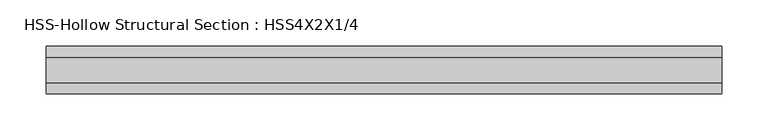
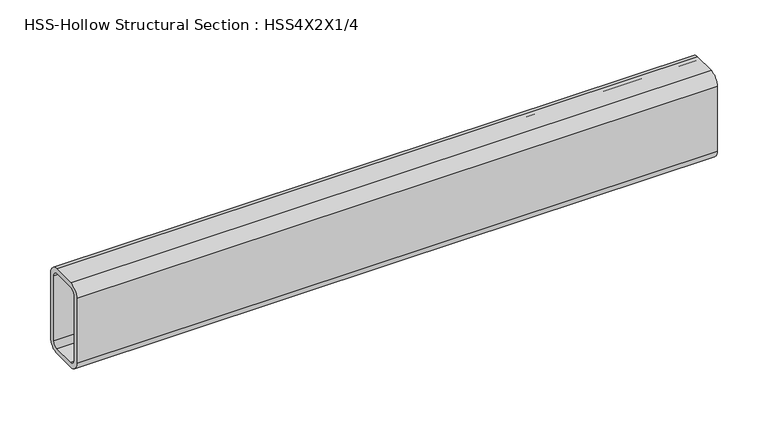
"""IFC4 building model written with IfcOpenShell, lengths in millimetres: beam geometry, HSS-Hollow Structural Section : HSS4X2X1/4."""

from ifc_helpers import new_model, si_unit, point, frame, frame_2d, origin, place, context, project, spatial, polyline, circle_curve, trimmed, segment, composite_curve, outline, extrude, source, transform, mapped, element, save


def hss_hollow_structural_section_hss4x2x1_4_c8d861f6(model_context):
    return source(origin(), model_context, "Body", "SweptSolid", [
        extrude(outline(composite_curve([segment(polyline([(25.4, 38.9636), (25.4, -38.9636)]), True, "CONTINUOUS"), segment(trimmed(circle_curve(frame_2d((13.5636, -38.9636)), 11.8364), [point((25.4, -38.9636))], [point((13.5636, -50.8))], False, "CARTESIAN"), True, "CONTINUOUS"), segment(polyline([(13.5636, -50.8), (-13.5636, -50.8)]), True, "CONTINUOUS"), segment(trimmed(circle_curve(frame_2d((-13.5636, -38.9636)), 11.8364), [point((-13.5636, -50.8))], [point((-25.4, -38.9636))], False, "CARTESIAN"), True, "CONTINUOUS"), segment(polyline([(-25.4, -38.9636), (-25.4, 38.9636)]), True, "CONTINUOUS"), segment(trimmed(circle_curve(frame_2d((-13.5636, 38.9636)), 11.8364), [point((-25.4, 38.9636))], [point((-13.5636, 50.8))], False, "CARTESIAN"), True, "CONTINUOUS"), segment(polyline([(-13.5636, 50.8), (13.5636, 50.8)]), True, "CONTINUOUS"), segment(trimmed(circle_curve(frame_2d((13.5636, 38.9636)), 11.8364), [point((13.5636, 50.8))], [point((25.4, 38.9636))], False, "CARTESIAN"), True, "CONTINUOUS")], self_intersect=False), holes=[composite_curve([segment(trimmed(circle_curve(frame_2d((-13.5636, 38.9636)), 5.9182), [point((-13.5636, 44.8818))], [point((-19.4818, 38.9636))], True, "CARTESIAN"), True, "CONTINUOUS"), segment(polyline([(-19.4818, 38.9636), (-19.4818, -38.9636)]), True, "CONTINUOUS"), segment(trimmed(circle_curve(frame_2d((-13.5636, -38.9636)), 5.9182), [point((-19.4818, -38.9636))], [point((-13.5636, -44.8818))], True, "CARTESIAN"), True, "CONTINUOUS"), segment(polyline([(-13.5636, -44.8818), (13.5636, -44.8818)]), True, "CONTINUOUS"), segment(trimmed(circle_curve(frame_2d((13.5636, -38.9636)), 5.9182), [point((13.5636, -44.8818))], [point((19.4818, -38.9636))], True, "CARTESIAN"), True, "CONTINUOUS"), segment(polyline([(19.4818, -38.9636), (19.4818, 38.9636)]), True, "CONTINUOUS"), segment(trimmed(circle_curve(frame_2d((13.5636, 38.9636)), 5.9182), [point((19.4818, 38.9636))], [point((13.5636, 44.8818))], True, "CARTESIAN"), True, "CONTINUOUS"), segment(polyline([(13.5636, 44.8818), (-13.5636, 44.8818)]), True, "CONTINUOUS")], self_intersect=False)]), frame((-363.7915, 0.0, 0.0), z_axis=(1.0, 0.0, 0.0), x_axis=(0.0, 1.0, 0.0)), (0.0, 0.0, 1.0), 727.8148899),
    ])


if __name__ == "__main__":
    model = new_model("IFC4")
    model_context = context("Model", 3, world=origin())
    ifc_project = project(units=[si_unit("LENGTHUNIT", "METRE", prefix="MILLI")], contexts=[model_context])
    site = spatial("IfcSite", under=ifc_project)
    building = spatial("IfcBuilding", under=site)
    placement = place(None, origin())
    hss_hollow_structural_section_hss4x2x1_4_shape = hss_hollow_structural_section_hss4x2x1_4_c8d861f6(model_context)
    element("IfcBeam", 1, ObjectType="HSS-Hollow Structural Section : HSS4X2X1/4", at=placement, inside=building, context=model_context, shape_type="MappedRepresentation", body=[
        mapped(hss_hollow_structural_section_hss4x2x1_4_shape, transform((0.0, 0.0, 0.0), x_axis=(1.0, 0.0, 0.0), y_axis=(0.0, 1.0, 0.0), z_axis=(0.0, 0.0, 1.0))),
    ])
    save(model, "model.ifc")
